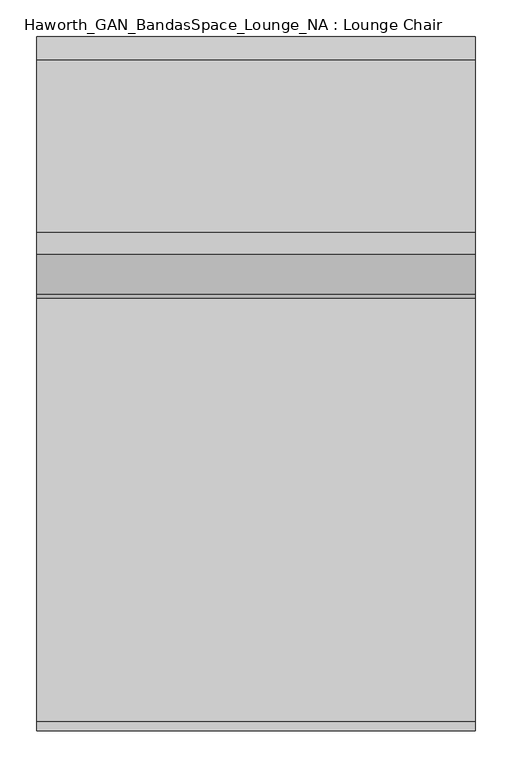
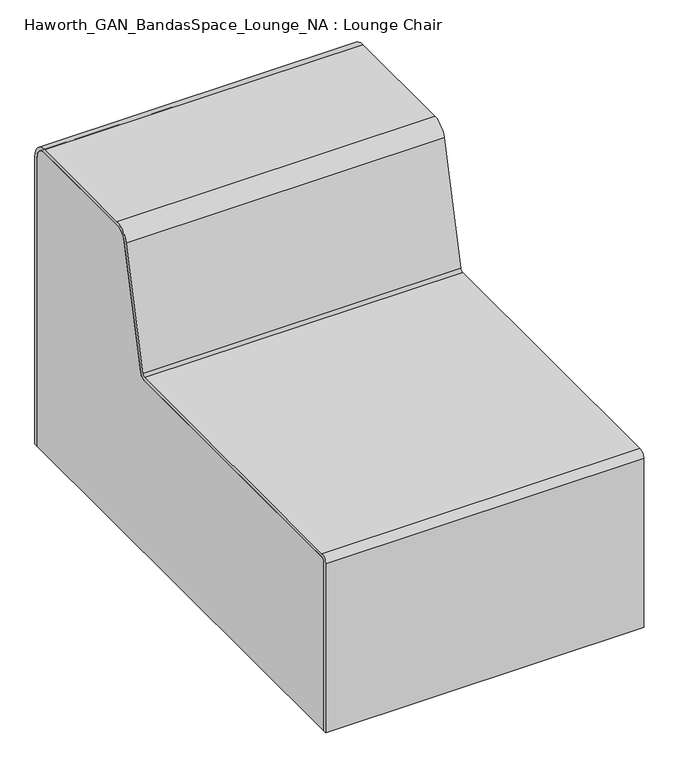
"""IFC4 building model written with IfcOpenShell, lengths in millimetres: furniture geometry, Haworth_GAN_BandasSpace_Lounge_NA : Lounge Chair."""

import ifcopenshell
import ifcopenshell.guid

model = None  # the IFC model being written
_history = None  # IfcOwnerHistory: only IFC2X3 demands one
_inside = {}  # id of a spatial element -> (the spatial element, [elements in it])
_under = {}  # id of a project, library or spatial element -> (it, [spatial elements below it])
_declared = {}  # id of a project -> (the project, [libraries it declares])
_typed = {}  # id of a type object -> (the type object, [elements of that type])
_made_of = {}  # id of a material, layer set ... -> (it, [elements and type objects made of it])


def new_model(schema):
    """Start an empty IFC model of exactly this schema.

    Asked for "IFC4X3", IfcOpenShell would pick the latest addendum, in which some entities
    have other attributes; the version numbers below select the first issue.
    IFC2X3 requires an IfcOwnerHistory on every rooted entity: one is made here for all.
    """
    global model, _history
    if schema == "IFC4X3":
        model = ifcopenshell.file(schema_version=(4, 3, 0, 0))
    else:
        model = ifcopenshell.file(schema=schema)
    _inside.clear()
    _under.clear()
    _declared.clear()
    _typed.clear()
    _made_of.clear()
    _history = None
    if model.schema == "IFC2X3":
        org = make("IfcOrganization", Name="unknown")
        user = make(
            "IfcPersonAndOrganization",
            ThePerson=make("IfcPerson", FamilyName="unknown"),
            TheOrganization=org,
        )
        app = make(
            "IfcApplication",
            ApplicationDeveloper=org,
            Version="unknown",
            ApplicationFullName="unknown",
            ApplicationIdentifier="unknown",
        )
        _history = make(
            "IfcOwnerHistory",
            OwningUser=user,
            OwningApplication=app,
            ChangeAction="ADDED",
            CreationDate=0,
        )
    return model


def make(cls, **values):
    """One entity of the class cls with the attributes given. An attribute that is None is left unset."""
    return model.create_entity(
        cls, **{name: value for name, value in values.items() if value is not None}
    )


def rooted(cls, **values):
    """An entity with a GlobalId (a new one), such as an element, a storey or a relation."""
    return make(cls, GlobalId=ifcopenshell.guid.new(), OwnerHistory=_history, **values)


def si_unit(unit_type, name, prefix=None):
    """IfcSIUnit, for example si_unit("LENGTHUNIT", "METRE", prefix="MILLI")."""
    return make("IfcSIUnit", UnitType=unit_type, Prefix=prefix, Name=name)


def assignment(units):
    """IfcUnitAssignment: the units of a project."""
    return None if units is None else make("IfcUnitAssignment", Units=units)


def point(xyz):
    """IfcCartesianPoint."""
    return None if xyz is None else make("IfcCartesianPoint", Coordinates=xyz)


def direction(xyz):
    """IfcDirection."""
    return None if xyz is None else make("IfcDirection", DirectionRatios=xyz)


def frame(location, z_axis=None, x_axis=None):
    """IfcAxis2Placement3D, a coordinate frame: its origin and axes. An axis left out is left unset."""
    return make(
        "IfcAxis2Placement3D",
        Location=point(location),
        Axis=direction(z_axis),
        RefDirection=direction(x_axis),
    )


def frame_2d(location, x_axis=None):
    """IfcAxis2Placement2D, a coordinate frame in the plane: its origin and x axis."""
    return make(
        "IfcAxis2Placement2D", Location=point(location), RefDirection=direction(x_axis)
    )


def origin():
    """The frame at (0, 0, 0) with its axes left unset."""
    return frame((0.0, 0.0, 0.0))


def place(relative_to, where):
    """IfcLocalPlacement: puts the frame where relative to a parent placement (None: the world)."""
    return make(
        "IfcLocalPlacement", PlacementRelTo=relative_to, RelativePlacement=where
    )


def context(
    kind, dimensions, precision=None, world=None, true_north=None, identifier=None
):
    """IfcGeometricRepresentationContext, for example the 3D "Model" context."""
    return make(
        "IfcGeometricRepresentationContext",
        ContextIdentifier=identifier,
        ContextType=kind,
        CoordinateSpaceDimension=dimensions,
        Precision=precision,
        WorldCoordinateSystem=world,
        TrueNorth=true_north,
    )


def project(units=None, contexts=None):
    """IfcProject with its units and contexts."""
    return rooted(
        "IfcProject",
        Name="project",
        RepresentationContexts=contexts,
        UnitsInContext=assignment(units),
    )


def spatial(cls, under=None, at=None, **own):
    """A site, building, storey or space (cls), placed at a placement, below another one or the project."""
    s = rooted(cls, ObjectPlacement=at, **own)
    if under is not None:
        _under.setdefault(under.id(), (under, []))[1].append(s)
    return s


def polyline(points):
    """IfcPolyline through the points."""
    return make("IfcPolyline", Points=[point(p) for p in points])


def circle_curve(where, radius):
    """IfcCircle in the frame where."""
    return make("IfcCircle", Position=where, Radius=radius)


def trimmed(basis, trim1, trim2, sense, master):
    """IfcTrimmedCurve: the piece of a basis curve between two trims."""
    return make(
        "IfcTrimmedCurve",
        BasisCurve=basis,
        Trim1=trim1,
        Trim2=trim2,
        SenseAgreement=sense,
        MasterRepresentation=master,
    )


def segment(curve, same_sense, transition):
    """IfcCompositeCurveSegment."""
    return make(
        "IfcCompositeCurveSegment",
        Transition=transition,
        SameSense=same_sense,
        ParentCurve=curve,
    )


def composite_curve(segments, self_intersect=None):
    """IfcCompositeCurve: segments joined end to end."""
    return make("IfcCompositeCurve", Segments=segments, SelfIntersect=self_intersect)


def outline(outer, holes=None, kind="AREA"):
    """IfcArbitraryClosedProfileDef: a profile drawn as a closed curve; with holes, ...WithVoids."""
    if holes is None:
        return make("IfcArbitraryClosedProfileDef", ProfileType=kind, OuterCurve=outer)
    return make(
        "IfcArbitraryProfileDefWithVoids",
        ProfileType=kind,
        OuterCurve=outer,
        InnerCurves=holes,
    )


def extrude(swept, where, along, depth):
    """IfcExtrudedAreaSolid: the profile swept, set in the frame where, extruded along a direction by depth."""
    return make(
        "IfcExtrudedAreaSolid",
        SweptArea=swept,
        Position=where,
        ExtrudedDirection=direction(along),
        Depth=depth,
    )


def shape(context_of_items, identifier, shape_type, items):
    """IfcShapeRepresentation: the items that make up one representation, for example the "Body"."""
    return make(
        "IfcShapeRepresentation",
        ContextOfItems=context_of_items,
        RepresentationIdentifier=identifier,
        RepresentationType=shape_type,
        Items=items,
    )


def source(mapping_origin, context_of_items, identifier, shape_type, items):
    """IfcRepresentationMap: a shape defined once, which mapped items show again and again."""
    return make(
        "IfcRepresentationMap",
        MappingOrigin=mapping_origin,
        MappedRepresentation=shape(context_of_items, identifier, shape_type, items),
    )


def transform(
    local_origin,
    x_axis=None,
    y_axis=None,
    z_axis=None,
    scale=None,
    scale2=None,
    scale3=None,
    uniform=True,
):
    """IfcCartesianTransformationOperator3D, or its non-uniform kind. x_axis, y_axis, z_axis: its Axis1, 2, 3."""
    if uniform:
        return make(
            "IfcCartesianTransformationOperator3D",
            Axis1=direction(x_axis),
            Axis2=direction(y_axis),
            LocalOrigin=point(local_origin),
            Scale=scale,
            Axis3=direction(z_axis),
        )
    return make(
        "IfcCartesianTransformationOperator3DnonUniform",
        Axis1=direction(x_axis),
        Axis2=direction(y_axis),
        LocalOrigin=point(local_origin),
        Scale=scale,
        Axis3=direction(z_axis),
        Scale2=scale2,
        Scale3=scale3,
    )


def mapped(mapping_source, mapping_target):
    """IfcMappedItem: shows the shape of a source again, moved by a transform."""
    return make(
        "IfcMappedItem", MappingSource=mapping_source, MappingTarget=mapping_target
    )


def made_of(thing, what):
    """Note that an element or type object is made of a material, layer set ...; save() writes the relation."""
    if what is not None:
        _made_of.setdefault(what.id(), (what, []))[1].append(thing)
    return thing


def element(
    cls,
    number,
    at=None,
    inside=None,
    cuts=None,
    type_object=None,
    material=None,
    context=None,
    identifier="Body",
    shape_type=None,
    held_by="IfcProductDefinitionShape",
    body=None,
    shapes=None,
    **own,
):
    """One element of the class cls, such as IfcWall. Its Tag is "e" and its number.

    at: its placement. inside: the storey or other place that contains it. cuts: it is an
    opening in that element (IfcRelVoidsElement). A single representation is given by context,
    identifier, shape_type and body (its items); several are given by shapes. held_by: the class
    of the entity that holds the representations. save() writes the other relations.
    """
    e = rooted(cls, Tag="e%d" % number, ObjectPlacement=at, **own)
    if body is not None:
        shapes = [shape(context, identifier, shape_type, body)]
    if shapes is not None:
        e.Representation = make(held_by, Representations=shapes)
    if inside is not None:
        _inside.setdefault(inside.id(), (inside, []))[1].append(e)
    if cuts is not None:
        rooted(
            "IfcRelVoidsElement", RelatingBuildingElement=cuts, RelatedOpeningElement=e
        )
    if type_object is not None:
        _typed.setdefault(type_object.id(), (type_object, []))[1].append(e)
    return made_of(e, material)


def aggregate(whole, parts):
    """IfcRelAggregates: a whole, such as a stair, and the parts it consists of."""
    return rooted("IfcRelAggregates", RelatingObject=whole, RelatedObjects=parts)


def save(model, path):
    """Write the relations noted so far, then the file.

    IfcRelAggregates (storeys below a building ...), IfcRelContainedInSpatialStructure (elements
    in a storey), IfcRelDefinesByType, IfcRelAssociatesMaterial and IfcRelDeclares: one each for
    every whole, place, type object, material and project.
    """
    for whole, parts in _under.values():
        aggregate(whole, parts)
    for where, things in _inside.values():
        rooted(
            "IfcRelContainedInSpatialStructure",
            RelatedElements=things,
            RelatingStructure=where,
        )
    for kind, things in _typed.values():
        rooted("IfcRelDefinesByType", RelatedObjects=things, RelatingType=kind)
    for what, things in _made_of.values():
        rooted("IfcRelAssociatesMaterial", RelatedObjects=things, RelatingMaterial=what)
    for by, libraries in _declared.values():
        rooted("IfcRelDeclares", RelatingContext=by, RelatedDefinitions=libraries)
    model.write(path)


def haworth_gan_bandasspace_lounge_na_lounge_chair_b25147ec(model_context):
    return source(origin(), model_context, "Body", "SweptSolid", [
        extrude(outline(composite_curve([segment(trimmed(circle_curve(frame_2d((-659.8046875, 336.55)), 12.7), [point((-672.5046875, 336.55))], [point((-659.8046875, 349.25))], False, "CARTESIAN"), True, "CONTINUOUS"), segment(polyline([(-659.8046875, 349.25), (-80.9209871, 349.25)]), True, "CONTINUOUS"), segment(trimmed(circle_curve(frame_2d((-80.9209871, 355.6)), 6.35), [point((-80.9209871, 349.25))], [point((-74.7427689, 354.1329896))], True, "CARTESIAN"), True, "CONTINUOUS"), segment(polyline([(-74.7427689, 354.1329896), (-20.7749926, 581.4147397)]), True, "CONTINUOUS"), segment(trimmed(circle_curve(frame_2d((10.1160985, 574.0796875)), 31.75), [point((-20.7749926, 581.4147397))], [point((10.1160985, 605.8296875))], False, "CARTESIAN"), True, "CONTINUOUS"), segment(polyline([(10.1160985, 605.8296875), (245.665625, 605.8296875)]), True, "CONTINUOUS"), segment(trimmed(circle_curve(frame_2d((245.665625, 574.0796875)), 31.75), [point((245.665625, 605.8296875))], [point((277.415625, 574.0796875))], False, "CARTESIAN"), True, "CONTINUOUS"), segment(polyline([(277.415625, 574.0796875), (277.415625, 0.0), (271.065625, 0.0), (271.065625, 574.0796875)]), True, "CONTINUOUS"), segment(trimmed(circle_curve(frame_2d((245.665625, 574.0796875)), 25.4), [point((271.065625, 574.0796875))], [point((245.665625, 599.4796875))], True, "CARTESIAN"), True, "CONTINUOUS"), segment(polyline([(245.665625, 599.4796875), (10.1160985, 599.4796875)]), True, "CONTINUOUS"), segment(trimmed(circle_curve(frame_2d((10.1160985, 574.0796875)), 25.4), [point((10.1160985, 599.4796875))], [point((-14.5967744, 579.9477292))], True, "CARTESIAN"), True, "CONTINUOUS"), segment(polyline([(-14.5967744, 579.9477292), (-68.5645507, 352.6659791)]), True, "CONTINUOUS"), segment(trimmed(circle_curve(frame_2d((-80.9209871, 355.6)), 12.7), [point((-68.5645507, 352.6659791))], [point((-80.9209871, 342.9))], False, "CARTESIAN"), True, "CONTINUOUS"), segment(polyline([(-80.9209871, 342.9), (-659.8046875, 342.9)]), True, "CONTINUOUS"), segment(trimmed(circle_curve(frame_2d((-659.8046875, 336.55)), 6.35), [point((-659.8046875, 342.9))], [point((-666.1546875, 336.55))], True, "CARTESIAN"), True, "CONTINUOUS"), segment(polyline([(-666.1546875, 336.55), (-666.1546875, 0.0), (-672.5046875, 0.0), (-672.5046875, 336.55)]), True, "CONTINUOUS")], self_intersect=False)), frame((-197.4453125, 0.0, 0.0), z_axis=(1.0, 0.0, 0.0), x_axis=(0.0, 1.0, 0.0)), (0.0, 0.0, 1.0), 599.4796875),
        extrude(outline(composite_curve([segment(polyline([(-666.1546875, 0.0), (-666.1546875, 336.55)]), True, "CONTINUOUS"), segment(trimmed(circle_curve(frame_2d((-659.8046875, 336.55)), 6.35), [point((-666.1546875, 336.55))], [point((-659.8046875, 342.9))], False, "CARTESIAN"), True, "CONTINUOUS"), segment(polyline([(-659.8046875, 342.9), (-80.9209871, 342.9)]), True, "CONTINUOUS"), segment(trimmed(circle_curve(frame_2d((-80.9209871, 355.6)), 12.7), [point((-80.9209871, 342.9))], [point((-68.5645507, 352.6659791))], True, "CARTESIAN"), True, "CONTINUOUS"), segment(polyline([(-68.5645507, 352.6659791), (-14.5967744, 579.9477292)]), True, "CONTINUOUS"), segment(trimmed(circle_curve(frame_2d((10.1160985, 574.0796875)), 25.4), [point((-14.5967744, 579.9477292))], [point((10.1160985, 599.4796875))], False, "CARTESIAN"), True, "CONTINUOUS"), segment(polyline([(10.1160985, 599.4796875), (245.665625, 599.4796875)]), True, "CONTINUOUS"), segment(trimmed(circle_curve(frame_2d((245.665625, 574.0796875)), 25.4), [point((245.665625, 599.4796875))], [point((271.065625, 574.0796875))], False, "CARTESIAN"), True, "CONTINUOUS"), segment(polyline([(271.065625, 574.0796875), (271.065625, 0.0), (-666.1546875, 0.0)]), True, "CONTINUOUS")], self_intersect=False)), frame((-197.4453125, 0.0, 0.0), z_axis=(1.0, 0.0, 0.0), x_axis=(0.0, 1.0, 0.0)), (0.0, 0.0, 1.0), 599.4796875),
    ])


if __name__ == "__main__":
    model = new_model("IFC4")
    model_context = context("Model", 3, world=origin())
    ifc_project = project(units=[si_unit("LENGTHUNIT", "METRE", prefix="MILLI")], contexts=[model_context])
    site = spatial("IfcSite", under=ifc_project)
    building = spatial("IfcBuilding", under=site)
    placement = place(None, origin())
    haworth_gan_bandasspace_lounge_na_lounge_chair_shape = haworth_gan_bandasspace_lounge_na_lounge_chair_b25147ec(model_context)
    element("IfcFurniture", 1, ObjectType="Haworth_GAN_BandasSpace_Lounge_NA : Lounge Chair", at=placement, inside=building, context=model_context, shape_type="MappedRepresentation", body=[
        mapped(haworth_gan_bandasspace_lounge_na_lounge_chair_shape, transform((0.0, 0.0, 0.0), x_axis=(1.0, 0.0, 0.0), y_axis=(0.0, 1.0, 0.0), z_axis=(0.0, 0.0, 1.0))),
    ])
    save(model, "model.ifc")
